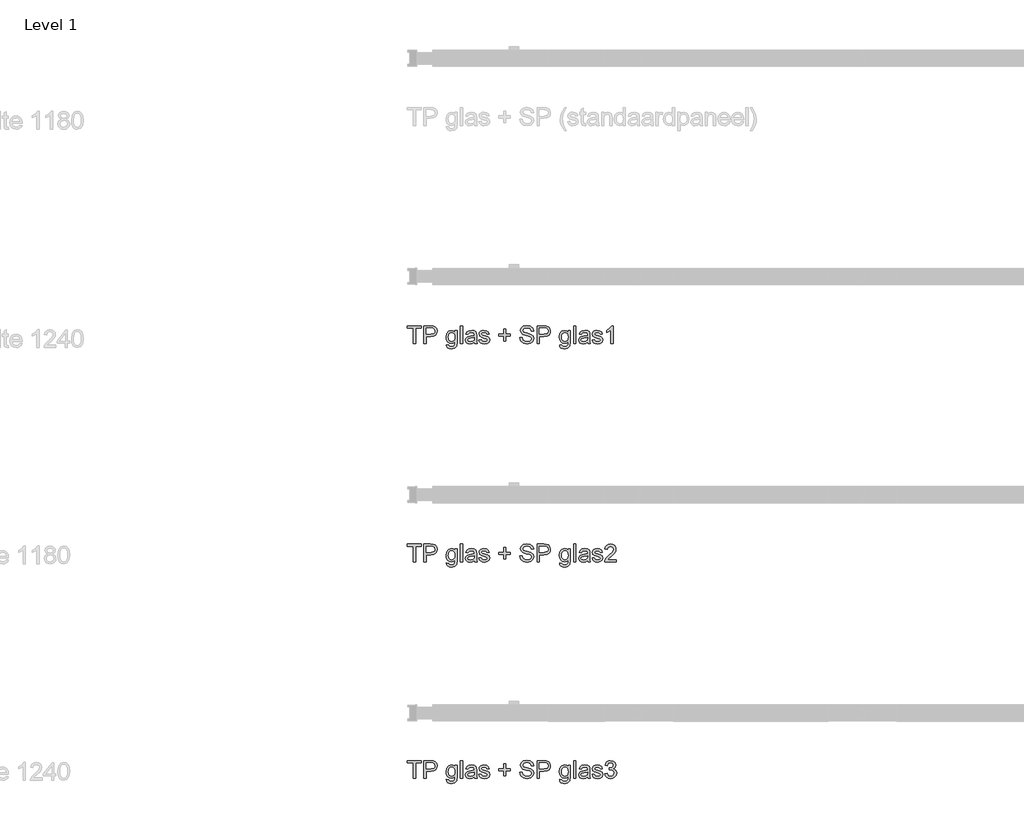
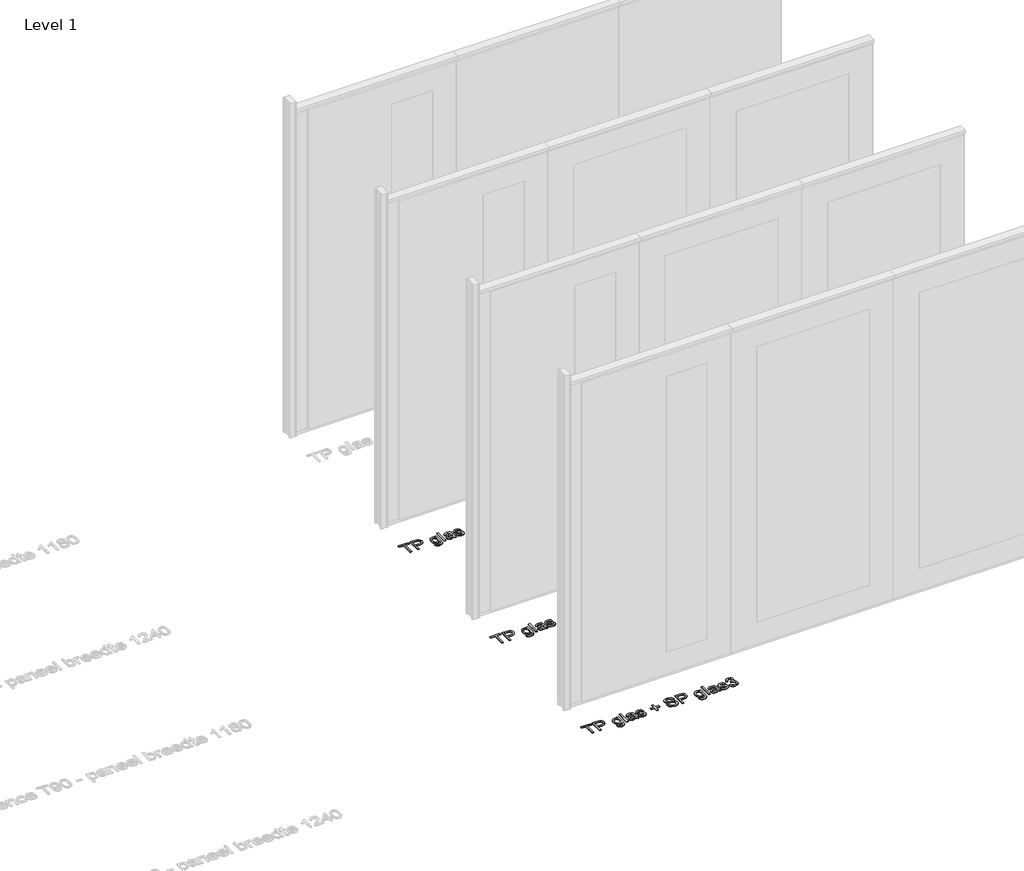
# One storey, part 7 of 17: 3 proxies.
"""IFC4 building model written with IfcOpenShell, lengths in millimetres."""

from ifc_helpers import new_model, si_unit, origin, origin_with_axes, place, context, project, spatial, polyline, outline, extrude, element, save

model = new_model("IFC4")

# Units and contexts
model_context = context("Model", 3, world=origin())
ifc_project = project(units=[si_unit("LENGTHUNIT", "METRE", prefix="MILLI")], contexts=[model_context])

# Site, building, storey
site = spatial("IfcSite", under=ifc_project)
building = spatial("IfcBuilding", under=site)
storey = spatial("IfcBuildingStorey", under=building, Name="Level 1", Elevation=0.0)

# Proxies
placement = place(None, origin())
element("IfcBuildingElementProxy", 1, Name="100 mm", ObjectType="100 mm", at=placement, inside=storey, context=model_context, shape_type="SweptSolid", body=[
    extrude(outline(polyline([(-12489.5064356, 1722.9418082), (-12489.5064356, 1809.0956544), (-12521.8141279, 1809.0956544), (-12521.8141279, 1821.4033467), (-12444.891051, 1821.4033467), (-12444.891051, 1809.0956544), (-12477.1987433, 1809.0956544), (-12477.1987433, 1722.9418082), (-12489.5064356, 1722.9418082)])), origin_with_axes(), (0.0, 0.0, 1.0), 5.0),
    extrude(outline(polyline([(-12431.0448971, 1722.9418082), (-12431.0448971, 1821.4033467), (-12394.5545125, 1821.4033467), (-12379.842974, 1820.4658467), (-12367.8838394, 1815.8624813), (-12360.1314356, 1806.3432505), (-12357.1987433, 1792.9177698), (-12359.1789115, 1781.3132025), (-12365.1194164, 1771.6437313), (-12376.2281904, 1765.117289), (-12393.7131664, 1762.9418082), (-12418.7372048, 1762.9418082), (-12418.7372048, 1722.9418082), (-12431.0448971, 1722.9418082)]), holes=[polyline([(-12418.7372048, 1775.2495005), (-12392.9920125, 1775.2495005), (-12374.8670125, 1779.7687313), (-12370.8465798, 1785.2074332), (-12369.5064356, 1792.4850775), (-12372.6674933, 1802.6773852), (-12380.9727817, 1808.2543082), (-12393.280474, 1809.0956544), (-12418.7372048, 1809.0956544), (-12418.7372048, 1775.2495005)])]), origin_with_axes(), (0.0, 0.0, 1.0), 5.0),
    extrude(outline(polyline([(-12306.4295125, 1716.7879621), (-12294.1218202, 1715.2495005), (-12290.1314356, 1708.7591159), (-12278.1843202, 1706.0187313), (-12265.5881664, 1709.1196929), (-12259.578551, 1717.8216159), (-12258.7372048, 1732.1725775), (-12267.4030702, 1725.2495005), (-12277.967974, 1722.9418082), (-12290.6572769, 1725.6281063), (-12300.1194164, 1733.6870005), (-12306.0058346, 1745.5019044), (-12307.967974, 1759.4562313), (-12304.4463394, 1778.5307505), (-12294.2540317, 1792.0283467), (-12278.5689356, 1796.7879621), (-12267.5893683, 1794.0956544), (-12258.7372048, 1786.0187313), (-12258.7372048, 1795.2495005), (-12246.4295125, 1795.2495005), (-12246.4295125, 1732.8216159), (-12249.7948971, 1708.9153659), (-12260.4559548, 1697.7975775), (-12278.4247048, 1693.711039), (-12289.8760269, 1695.1503419), (-12298.8934548, 1699.4682505), (-12304.6777096, 1706.6767842), (-12306.4295125, 1716.7879621)]), holes=[polyline([(-12295.6602817, 1760.2975775), (-12294.3471808, 1749.008515), (-12290.4078779, 1741.2470967), (-12284.4854019, 1736.7488996), (-12277.2227817, 1735.2495005), (-12270.0142481, 1736.7398852), (-12264.061724, 1741.211039), (-12260.0683346, 1748.8732986), (-12258.7372048, 1759.9370005), (-12260.1073971, 1770.6070727), (-12264.217974, 1778.2903659), (-12270.2576375, 1782.9327938), (-12277.4150894, 1784.4802698), (-12284.4433346, 1782.9568323), (-12290.3357625, 1778.3865198), (-12294.3291519, 1770.8174092), (-12295.6602817, 1760.2975775)])]), origin_with_axes(), (0.0, 0.0, 1.0), 5.0),
    extrude(outline(polyline([(-12227.967974, 1722.9418082), (-12227.967974, 1821.4033467), (-12215.6602817, 1821.4033467), (-12215.6602817, 1722.9418082), (-12227.967974, 1722.9418082)])), origin_with_axes(), (0.0, 0.0, 1.0), 5.0),
    extrude(outline(polyline([(-12151.0448971, 1732.1725775), (-12162.9799933, 1723.8312313), (-12176.1650894, 1721.4033467), (-12186.4505462, 1722.8636832), (-12194.0376856, 1727.2446929), (-12198.7161712, 1733.8973371), (-12200.2756664, 1742.1725775), (-12197.9198971, 1751.9081544), (-12191.7299933, 1758.9754621), (-12183.1122048, 1763.0139236), (-12172.4631664, 1764.8648852), (-12151.1170125, 1769.0956544), (-12151.0448971, 1771.836039), (-12154.4343202, 1780.9225775), (-12168.0400894, 1784.4802698), (-12180.4920125, 1782.1124813), (-12186.4295125, 1773.711039), (-12198.7372048, 1775.2495005), (-12193.4126856, 1787.2687313), (-12182.6915317, 1794.3120005), (-12166.453551, 1796.7879621), (-12151.5376856, 1794.6004621), (-12143.1122048, 1789.1076736), (-12139.3381664, 1780.7543082), (-12138.7372048, 1769.9850775), (-12138.7372048, 1754.6725775), (-12138.1122048, 1733.2903659), (-12135.6602817, 1722.9418082), (-12147.967974, 1722.9418082), (-12151.0448971, 1732.1725775)]), holes=[polyline([(-12151.0448971, 1756.7879621), (-12170.9006664, 1753.0139236), (-12181.4896087, 1751.0187313), (-12186.2852817, 1747.773539), (-12187.967974, 1743.0379621), (-12184.3021087, 1736.3793082), (-12173.5448971, 1733.711039), (-12161.092974, 1736.6557505), (-12153.0641279, 1743.7831544), (-12151.1170125, 1753.3023852), (-12151.0448971, 1756.7879621)])]), origin_with_axes(), (0.0, 0.0, 1.0), 5.0),
    extrude(outline(polyline([(-12126.4295125, 1744.4802698), (-12114.1218202, 1746.0187313), (-12108.4247048, 1736.8841159), (-12095.3718202, 1733.711039), (-12082.8237433, 1736.6196929), (-12078.7372048, 1743.4466159), (-12082.8477817, 1748.9754621), (-12095.516051, 1752.4850775), (-12114.0497048, 1758.5067121), (-12122.1386471, 1765.5379621), (-12124.891051, 1775.4658467), (-12122.6795125, 1784.6365198), (-12116.6458587, 1791.6437313), (-12108.8213394, 1795.2855582), (-12098.2323971, 1796.7879621), (-12083.2564356, 1794.3720967), (-12073.7372048, 1787.8336352), (-12069.5064356, 1776.7879621), (-12081.8141279, 1775.2495005), (-12086.4415317, 1782.0403659), (-12097.2708587, 1784.4802698), (-12109.0497048, 1782.148539), (-12112.5833587, 1776.7158467), (-12111.1170125, 1773.1341159), (-12106.5256664, 1770.4177698), (-12095.9247048, 1767.7975775), (-12077.859801, 1762.0043082), (-12069.4703779, 1755.4418082), (-12066.4295125, 1744.7446929), (-12069.999224, 1732.9658467), (-12080.2997048, 1724.4201736), (-12095.5400894, 1721.4033467), (-12107.9499452, 1722.8576736), (-12117.0064356, 1727.2206544), (-12123.0521087, 1734.4442121), (-12126.4295125, 1744.4802698)])), origin_with_axes(), (0.0, 0.0, 1.0), 5.0),
    extrude(outline(polyline([(-11989.5064356, 1738.3264236), (-11989.5064356, 1764.4802698), (-12015.6602817, 1764.4802698), (-12015.6602817, 1776.7879621), (-11989.5064356, 1776.7879621), (-11989.5064356, 1802.9418082), (-11977.1987433, 1802.9418082), (-11977.1987433, 1776.7879621), (-11951.0448971, 1776.7879621), (-11951.0448971, 1764.4802698), (-11977.1987433, 1764.4802698), (-11977.1987433, 1738.3264236), (-11989.5064356, 1738.3264236)])), origin_with_axes(), (0.0, 0.0, 1.0), 5.0),
    extrude(outline(polyline([(-11898.7372048, 1756.7879621), (-11886.4295125, 1756.7879621), (-11882.4631664, 1744.4682505), (-11872.7756664, 1736.679789), (-11858.016051, 1733.711039), (-11845.155474, 1735.9586352), (-11836.8501856, 1742.1365198), (-11834.1218202, 1750.3937313), (-11836.1650894, 1758.0740198), (-11844.530474, 1763.6629621), (-11862.4511471, 1768.3624813), (-11881.7420125, 1774.4321929), (-11892.2107625, 1783.5908467), (-11895.6602817, 1795.8264236), (-11891.3934548, 1809.7567121), (-11878.9295125, 1819.5884429), (-11860.6843202, 1822.9418082), (-11841.2131664, 1819.4321929), (-11828.2323971, 1809.1196929), (-11823.3525894, 1793.711039), (-11835.6602817, 1793.711039), (-11842.6314356, 1806.3552698), (-11860.203551, 1810.6341159), (-11877.8237433, 1806.4033467), (-11883.3525894, 1796.1870005), (-11879.4343202, 1787.6533467), (-11859.3381664, 1780.7783467), (-11837.5593202, 1774.6004621), (-11825.6482625, 1764.6245005), (-11821.8141279, 1750.7062313), (-11826.2251856, 1735.9826736), (-11838.9174933, 1725.2374813), (-11857.5352817, 1721.4033467), (-11879.5184548, 1725.5379621), (-11893.4247048, 1737.9898852), (-11898.7372048, 1756.7879621)])), origin_with_axes(), (0.0, 0.0, 1.0), 5.0),
    extrude(outline(polyline([(-11803.3525894, 1722.9418082), (-11803.3525894, 1821.4033467), (-11766.8622048, 1821.4033467), (-11752.1506664, 1820.4658467), (-11740.1915317, 1815.8624813), (-11732.4391279, 1806.3432505), (-11729.5064356, 1792.9177698), (-11731.4866039, 1781.3132025), (-11737.4271087, 1771.6437313), (-11748.5358827, 1765.117289), (-11766.0208587, 1762.9418082), (-11791.0448971, 1762.9418082), (-11791.0448971, 1722.9418082), (-11803.3525894, 1722.9418082)]), holes=[polyline([(-11791.0448971, 1775.2495005), (-11765.2997048, 1775.2495005), (-11747.1747048, 1779.7687313), (-11743.1542721, 1785.2074332), (-11741.8141279, 1792.4850775), (-11744.9751856, 1802.6773852), (-11753.280474, 1808.2543082), (-11765.5881664, 1809.0956544), (-11791.0448971, 1809.0956544), (-11791.0448971, 1775.2495005)])]), origin_with_axes(), (0.0, 0.0, 1.0), 5.0),
    extrude(outline(polyline([(-11678.7372048, 1716.7879621), (-11666.4295125, 1715.2495005), (-11662.4391279, 1708.7591159), (-11650.4920125, 1706.0187313), (-11637.8958587, 1709.1196929), (-11631.8862433, 1717.8216159), (-11631.0448971, 1732.1725775), (-11639.7107625, 1725.2495005), (-11650.2756664, 1722.9418082), (-11662.9649692, 1725.6281063), (-11672.4271087, 1733.6870005), (-11678.3135269, 1745.5019044), (-11680.2756664, 1759.4562313), (-11676.7540317, 1778.5307505), (-11666.561724, 1792.0283467), (-11650.8766279, 1796.7879621), (-11639.8970606, 1794.0956544), (-11631.0448971, 1786.0187313), (-11631.0448971, 1795.2495005), (-11618.7372048, 1795.2495005), (-11618.7372048, 1732.8216159), (-11622.1025894, 1708.9153659), (-11632.7636471, 1697.7975775), (-11650.7323971, 1693.711039), (-11662.1837192, 1695.1503419), (-11671.2011471, 1699.4682505), (-11676.9854019, 1706.6767842), (-11678.7372048, 1716.7879621)]), holes=[polyline([(-11667.967974, 1760.2975775), (-11666.6548731, 1749.008515), (-11662.7155702, 1741.2470967), (-11656.7930942, 1736.7488996), (-11649.530474, 1735.2495005), (-11642.3219404, 1736.7398852), (-11636.3694164, 1741.211039), (-11632.3760269, 1748.8732986), (-11631.0448971, 1759.9370005), (-11632.4150894, 1770.6070727), (-11636.5256664, 1778.2903659), (-11642.5653298, 1782.9327938), (-11649.7227817, 1784.4802698), (-11656.7510269, 1782.9568323), (-11662.6434548, 1778.3865198), (-11666.6368442, 1770.8174092), (-11667.967974, 1760.2975775)])]), origin_with_axes(), (0.0, 0.0, 1.0), 5.0),
    extrude(outline(polyline([(-11600.2756664, 1722.9418082), (-11600.2756664, 1821.4033467), (-11587.967974, 1821.4033467), (-11587.967974, 1722.9418082), (-11600.2756664, 1722.9418082)])), origin_with_axes(), (0.0, 0.0, 1.0), 5.0),
    extrude(outline(polyline([(-11523.3525894, 1732.1725775), (-11535.2876856, 1723.8312313), (-11548.4727817, 1721.4033467), (-11558.7582385, 1722.8636832), (-11566.3453779, 1727.2446929), (-11571.0238635, 1733.8973371), (-11572.5833587, 1742.1725775), (-11570.2275894, 1751.9081544), (-11564.0376856, 1758.9754621), (-11555.4198971, 1763.0139236), (-11544.7708587, 1764.8648852), (-11523.4247048, 1769.0956544), (-11523.3525894, 1771.836039), (-11526.7420125, 1780.9225775), (-11540.3477817, 1784.4802698), (-11552.7997048, 1782.1124813), (-11558.7372048, 1773.711039), (-11571.0448971, 1775.2495005), (-11565.7203779, 1787.2687313), (-11554.999224, 1794.3120005), (-11538.7612433, 1796.7879621), (-11523.8453779, 1794.6004621), (-11515.4198971, 1789.1076736), (-11511.6458587, 1780.7543082), (-11511.0448971, 1769.9850775), (-11511.0448971, 1754.6725775), (-11510.4198971, 1733.2903659), (-11507.967974, 1722.9418082), (-11520.2756664, 1722.9418082), (-11523.3525894, 1732.1725775)]), holes=[polyline([(-11523.3525894, 1756.7879621), (-11543.2083587, 1753.0139236), (-11553.797301, 1751.0187313), (-11558.592974, 1747.773539), (-11560.2756664, 1743.0379621), (-11556.609801, 1736.3793082), (-11545.8525894, 1733.711039), (-11533.4006664, 1736.6557505), (-11525.3718202, 1743.7831544), (-11523.4247048, 1753.3023852), (-11523.3525894, 1756.7879621)])]), origin_with_axes(), (0.0, 0.0, 1.0), 5.0),
    extrude(outline(polyline([(-11498.7372048, 1744.4802698), (-11486.4295125, 1746.0187313), (-11480.7323971, 1736.8841159), (-11467.6795125, 1733.711039), (-11455.1314356, 1736.6196929), (-11451.0448971, 1743.4466159), (-11455.155474, 1748.9754621), (-11467.8237433, 1752.4850775), (-11486.3573971, 1758.5067121), (-11494.4463394, 1765.5379621), (-11497.1987433, 1775.4658467), (-11494.9872048, 1784.6365198), (-11488.953551, 1791.6437313), (-11481.1290317, 1795.2855582), (-11470.5400894, 1796.7879621), (-11455.5641279, 1794.3720967), (-11446.0448971, 1787.8336352), (-11441.8141279, 1776.7879621), (-11454.1218202, 1775.2495005), (-11458.749224, 1782.0403659), (-11469.578551, 1784.4802698), (-11481.3573971, 1782.148539), (-11484.891051, 1776.7158467), (-11483.4247048, 1773.1341159), (-11478.8333587, 1770.4177698), (-11468.2323971, 1767.7975775), (-11450.1674933, 1762.0043082), (-11441.7780702, 1755.4418082), (-11438.7372048, 1744.7446929), (-11442.3069164, 1732.9658467), (-11452.6073971, 1724.4201736), (-11467.8477817, 1721.4033467), (-11480.2576375, 1722.8576736), (-11489.3141279, 1727.2206544), (-11495.359801, 1734.4442121), (-11498.7372048, 1744.4802698)])), origin_with_axes(), (0.0, 0.0, 1.0), 5.0),
    extrude(outline(polyline([(-11364.891051, 1735.2495005), (-11364.891051, 1722.9418082), (-11429.5064356, 1722.9418082), (-11428.1843202, 1731.4273852), (-11420.7083587, 1744.492289), (-11405.2997048, 1758.7591159), (-11384.0497048, 1779.2639236), (-11378.7372048, 1793.2062313), (-11383.749224, 1804.492289), (-11396.8381664, 1809.0956544), (-11410.4799933, 1804.6004621), (-11415.6602817, 1792.1725775), (-11427.967974, 1793.711039), (-11424.9842, 1805.6160871), (-11418.5328779, 1814.3120005), (-11408.9505462, 1819.6305102), (-11396.5737433, 1821.4033467), (-11384.1067962, 1819.4321929), (-11374.5424933, 1813.5187313), (-11368.4577577, 1804.6845967), (-11366.4295125, 1793.9514236), (-11368.6170125, 1782.2807505), (-11375.8886471, 1770.2134429), (-11393.5208587, 1753.3504621), (-11407.6795125, 1741.5115198), (-11413.2323971, 1735.2495005), (-11364.891051, 1735.2495005)])), origin_with_axes(), (0.0, 0.0, 1.0), 5.0),
])
element("IfcBuildingElementProxy", 2, Name="100 mm", ObjectType="100 mm", at=placement, inside=storey, context=model_context, shape_type="SweptSolid", body=[
    extrude(outline(polyline([(-12489.5064356, 522.9418082), (-12489.5064356, 609.0956544), (-12521.8141279, 609.0956544), (-12521.8141279, 621.4033467), (-12444.891051, 621.4033467), (-12444.891051, 609.0956544), (-12477.1987433, 609.0956544), (-12477.1987433, 522.9418082), (-12489.5064356, 522.9418082)])), origin_with_axes(), (0.0, 0.0, 1.0), 5.0),
    extrude(outline(polyline([(-12431.0448971, 522.9418082), (-12431.0448971, 621.4033467), (-12394.5545125, 621.4033467), (-12379.842974, 620.4658467), (-12367.8838394, 615.8624813), (-12360.1314356, 606.3432505), (-12357.1987433, 592.9177698), (-12359.1789115, 581.3132025), (-12365.1194164, 571.6437313), (-12376.2281904, 565.117289), (-12393.7131664, 562.9418082), (-12418.7372048, 562.9418082), (-12418.7372048, 522.9418082), (-12431.0448971, 522.9418082)]), holes=[polyline([(-12418.7372048, 575.2495005), (-12392.9920125, 575.2495005), (-12374.8670125, 579.7687313), (-12370.8465798, 585.2074332), (-12369.5064356, 592.4850775), (-12372.6674933, 602.6773852), (-12380.9727817, 608.2543082), (-12393.280474, 609.0956544), (-12418.7372048, 609.0956544), (-12418.7372048, 575.2495005)])]), origin_with_axes(), (0.0, 0.0, 1.0), 5.0),
    extrude(outline(polyline([(-12306.4295125, 516.7879621), (-12294.1218202, 515.2495005), (-12290.1314356, 508.7591159), (-12278.1843202, 506.0187313), (-12265.5881664, 509.1196929), (-12259.578551, 517.8216159), (-12258.7372048, 532.1725775), (-12267.4030702, 525.2495005), (-12277.967974, 522.9418082), (-12290.6572769, 525.6281063), (-12300.1194164, 533.6870005), (-12306.0058346, 545.5019044), (-12307.967974, 559.4562313), (-12304.4463394, 578.5307505), (-12294.2540317, 592.0283467), (-12278.5689356, 596.7879621), (-12267.5893683, 594.0956544), (-12258.7372048, 586.0187313), (-12258.7372048, 595.2495005), (-12246.4295125, 595.2495005), (-12246.4295125, 532.8216159), (-12249.7948971, 508.9153659), (-12260.4559548, 497.7975775), (-12278.4247048, 493.711039), (-12289.8760269, 495.1503419), (-12298.8934548, 499.4682505), (-12304.6777096, 506.6767842), (-12306.4295125, 516.7879621)]), holes=[polyline([(-12295.6602817, 560.2975775), (-12294.3471808, 549.008515), (-12290.4078779, 541.2470967), (-12284.4854019, 536.7488996), (-12277.2227817, 535.2495005), (-12270.0142481, 536.7398852), (-12264.061724, 541.211039), (-12260.0683346, 548.8732986), (-12258.7372048, 559.9370005), (-12260.1073971, 570.6070727), (-12264.217974, 578.2903659), (-12270.2576375, 582.9327938), (-12277.4150894, 584.4802698), (-12284.4433346, 582.9568323), (-12290.3357625, 578.3865198), (-12294.3291519, 570.8174092), (-12295.6602817, 560.2975775)])]), origin_with_axes(), (0.0, 0.0, 1.0), 5.0),
    extrude(outline(polyline([(-12227.967974, 522.9418082), (-12227.967974, 621.4033467), (-12215.6602817, 621.4033467), (-12215.6602817, 522.9418082), (-12227.967974, 522.9418082)])), origin_with_axes(), (0.0, 0.0, 1.0), 5.0),
    extrude(outline(polyline([(-12151.0448971, 532.1725775), (-12162.9799933, 523.8312313), (-12176.1650894, 521.4033467), (-12186.4505462, 522.8636832), (-12194.0376856, 527.2446929), (-12198.7161712, 533.8973371), (-12200.2756664, 542.1725775), (-12197.9198971, 551.9081544), (-12191.7299933, 558.9754621), (-12183.1122048, 563.0139236), (-12172.4631664, 564.8648852), (-12151.1170125, 569.0956544), (-12151.0448971, 571.836039), (-12154.4343202, 580.9225775), (-12168.0400894, 584.4802698), (-12180.4920125, 582.1124813), (-12186.4295125, 573.711039), (-12198.7372048, 575.2495005), (-12193.4126856, 587.2687313), (-12182.6915317, 594.3120005), (-12166.453551, 596.7879621), (-12151.5376856, 594.6004621), (-12143.1122048, 589.1076736), (-12139.3381664, 580.7543082), (-12138.7372048, 569.9850775), (-12138.7372048, 554.6725775), (-12138.1122048, 533.2903659), (-12135.6602817, 522.9418082), (-12147.967974, 522.9418082), (-12151.0448971, 532.1725775)]), holes=[polyline([(-12151.0448971, 556.7879621), (-12170.9006664, 553.0139236), (-12181.4896087, 551.0187313), (-12186.2852817, 547.773539), (-12187.967974, 543.0379621), (-12184.3021087, 536.3793082), (-12173.5448971, 533.711039), (-12161.092974, 536.6557505), (-12153.0641279, 543.7831544), (-12151.1170125, 553.3023852), (-12151.0448971, 556.7879621)])]), origin_with_axes(), (0.0, 0.0, 1.0), 5.0),
    extrude(outline(polyline([(-12126.4295125, 544.4802698), (-12114.1218202, 546.0187313), (-12108.4247048, 536.8841159), (-12095.3718202, 533.711039), (-12082.8237433, 536.6196929), (-12078.7372048, 543.4466159), (-12082.8477817, 548.9754621), (-12095.516051, 552.4850775), (-12114.0497048, 558.5067121), (-12122.1386471, 565.5379621), (-12124.891051, 575.4658467), (-12122.6795125, 584.6365198), (-12116.6458587, 591.6437313), (-12108.8213394, 595.2855582), (-12098.2323971, 596.7879621), (-12083.2564356, 594.3720967), (-12073.7372048, 587.8336352), (-12069.5064356, 576.7879621), (-12081.8141279, 575.2495005), (-12086.4415317, 582.0403659), (-12097.2708587, 584.4802698), (-12109.0497048, 582.148539), (-12112.5833587, 576.7158467), (-12111.1170125, 573.1341159), (-12106.5256664, 570.4177698), (-12095.9247048, 567.7975775), (-12077.859801, 562.0043082), (-12069.4703779, 555.4418082), (-12066.4295125, 544.7446929), (-12069.999224, 532.9658467), (-12080.2997048, 524.4201736), (-12095.5400894, 521.4033467), (-12107.9499452, 522.8576736), (-12117.0064356, 527.2206544), (-12123.0521087, 534.4442121), (-12126.4295125, 544.4802698)])), origin_with_axes(), (0.0, 0.0, 1.0), 5.0),
    extrude(outline(polyline([(-11989.5064356, 538.3264236), (-11989.5064356, 564.4802698), (-12015.6602817, 564.4802698), (-12015.6602817, 576.7879621), (-11989.5064356, 576.7879621), (-11989.5064356, 602.9418082), (-11977.1987433, 602.9418082), (-11977.1987433, 576.7879621), (-11951.0448971, 576.7879621), (-11951.0448971, 564.4802698), (-11977.1987433, 564.4802698), (-11977.1987433, 538.3264236), (-11989.5064356, 538.3264236)])), origin_with_axes(), (0.0, 0.0, 1.0), 5.0),
    extrude(outline(polyline([(-11898.7372048, 556.7879621), (-11886.4295125, 556.7879621), (-11882.4631664, 544.4682505), (-11872.7756664, 536.679789), (-11858.016051, 533.711039), (-11845.155474, 535.9586352), (-11836.8501856, 542.1365198), (-11834.1218202, 550.3937313), (-11836.1650894, 558.0740198), (-11844.530474, 563.6629621), (-11862.4511471, 568.3624813), (-11881.7420125, 574.4321929), (-11892.2107625, 583.5908467), (-11895.6602817, 595.8264236), (-11891.3934548, 609.7567121), (-11878.9295125, 619.5884429), (-11860.6843202, 622.9418082), (-11841.2131664, 619.4321929), (-11828.2323971, 609.1196929), (-11823.3525894, 593.711039), (-11835.6602817, 593.711039), (-11842.6314356, 606.3552698), (-11860.203551, 610.6341159), (-11877.8237433, 606.4033467), (-11883.3525894, 596.1870005), (-11879.4343202, 587.6533467), (-11859.3381664, 580.7783467), (-11837.5593202, 574.6004621), (-11825.6482625, 564.6245005), (-11821.8141279, 550.7062313), (-11826.2251856, 535.9826736), (-11838.9174933, 525.2374813), (-11857.5352817, 521.4033467), (-11879.5184548, 525.5379621), (-11893.4247048, 537.9898852), (-11898.7372048, 556.7879621)])), origin_with_axes(), (0.0, 0.0, 1.0), 5.0),
    extrude(outline(polyline([(-11803.3525894, 522.9418082), (-11803.3525894, 621.4033467), (-11766.8622048, 621.4033467), (-11752.1506664, 620.4658467), (-11740.1915317, 615.8624813), (-11732.4391279, 606.3432505), (-11729.5064356, 592.9177698), (-11731.4866039, 581.3132025), (-11737.4271087, 571.6437313), (-11748.5358827, 565.117289), (-11766.0208587, 562.9418082), (-11791.0448971, 562.9418082), (-11791.0448971, 522.9418082), (-11803.3525894, 522.9418082)]), holes=[polyline([(-11791.0448971, 575.2495005), (-11765.2997048, 575.2495005), (-11747.1747048, 579.7687313), (-11743.1542721, 585.2074332), (-11741.8141279, 592.4850775), (-11744.9751856, 602.6773852), (-11753.280474, 608.2543082), (-11765.5881664, 609.0956544), (-11791.0448971, 609.0956544), (-11791.0448971, 575.2495005)])]), origin_with_axes(), (0.0, 0.0, 1.0), 5.0),
    extrude(outline(polyline([(-11678.7372048, 516.7879621), (-11666.4295125, 515.2495005), (-11662.4391279, 508.7591159), (-11650.4920125, 506.0187313), (-11637.8958587, 509.1196929), (-11631.8862433, 517.8216159), (-11631.0448971, 532.1725775), (-11639.7107625, 525.2495005), (-11650.2756664, 522.9418082), (-11662.9649692, 525.6281063), (-11672.4271087, 533.6870005), (-11678.3135269, 545.5019044), (-11680.2756664, 559.4562313), (-11676.7540317, 578.5307505), (-11666.561724, 592.0283467), (-11650.8766279, 596.7879621), (-11639.8970606, 594.0956544), (-11631.0448971, 586.0187313), (-11631.0448971, 595.2495005), (-11618.7372048, 595.2495005), (-11618.7372048, 532.8216159), (-11622.1025894, 508.9153659), (-11632.7636471, 497.7975775), (-11650.7323971, 493.711039), (-11662.1837192, 495.1503419), (-11671.2011471, 499.4682505), (-11676.9854019, 506.6767842), (-11678.7372048, 516.7879621)]), holes=[polyline([(-11667.967974, 560.2975775), (-11666.6548731, 549.008515), (-11662.7155702, 541.2470967), (-11656.7930942, 536.7488996), (-11649.530474, 535.2495005), (-11642.3219404, 536.7398852), (-11636.3694164, 541.211039), (-11632.3760269, 548.8732986), (-11631.0448971, 559.9370005), (-11632.4150894, 570.6070727), (-11636.5256664, 578.2903659), (-11642.5653298, 582.9327938), (-11649.7227817, 584.4802698), (-11656.7510269, 582.9568323), (-11662.6434548, 578.3865198), (-11666.6368442, 570.8174092), (-11667.967974, 560.2975775)])]), origin_with_axes(), (0.0, 0.0, 1.0), 5.0),
    extrude(outline(polyline([(-11600.2756664, 522.9418082), (-11600.2756664, 621.4033467), (-11587.967974, 621.4033467), (-11587.967974, 522.9418082), (-11600.2756664, 522.9418082)])), origin_with_axes(), (0.0, 0.0, 1.0), 5.0),
    extrude(outline(polyline([(-11523.3525894, 532.1725775), (-11535.2876856, 523.8312313), (-11548.4727817, 521.4033467), (-11558.7582385, 522.8636832), (-11566.3453779, 527.2446929), (-11571.0238635, 533.8973371), (-11572.5833587, 542.1725775), (-11570.2275894, 551.9081544), (-11564.0376856, 558.9754621), (-11555.4198971, 563.0139236), (-11544.7708587, 564.8648852), (-11523.4247048, 569.0956544), (-11523.3525894, 571.836039), (-11526.7420125, 580.9225775), (-11540.3477817, 584.4802698), (-11552.7997048, 582.1124813), (-11558.7372048, 573.711039), (-11571.0448971, 575.2495005), (-11565.7203779, 587.2687313), (-11554.999224, 594.3120005), (-11538.7612433, 596.7879621), (-11523.8453779, 594.6004621), (-11515.4198971, 589.1076736), (-11511.6458587, 580.7543082), (-11511.0448971, 569.9850775), (-11511.0448971, 554.6725775), (-11510.4198971, 533.2903659), (-11507.967974, 522.9418082), (-11520.2756664, 522.9418082), (-11523.3525894, 532.1725775)]), holes=[polyline([(-11523.3525894, 556.7879621), (-11543.2083587, 553.0139236), (-11553.797301, 551.0187313), (-11558.592974, 547.773539), (-11560.2756664, 543.0379621), (-11556.609801, 536.3793082), (-11545.8525894, 533.711039), (-11533.4006664, 536.6557505), (-11525.3718202, 543.7831544), (-11523.4247048, 553.3023852), (-11523.3525894, 556.7879621)])]), origin_with_axes(), (0.0, 0.0, 1.0), 5.0),
    extrude(outline(polyline([(-11498.7372048, 544.4802698), (-11486.4295125, 546.0187313), (-11480.7323971, 536.8841159), (-11467.6795125, 533.711039), (-11455.1314356, 536.6196929), (-11451.0448971, 543.4466159), (-11455.155474, 548.9754621), (-11467.8237433, 552.4850775), (-11486.3573971, 558.5067121), (-11494.4463394, 565.5379621), (-11497.1987433, 575.4658467), (-11494.9872048, 584.6365198), (-11488.953551, 591.6437313), (-11481.1290317, 595.2855582), (-11470.5400894, 596.7879621), (-11455.5641279, 594.3720967), (-11446.0448971, 587.8336352), (-11441.8141279, 576.7879621), (-11454.1218202, 575.2495005), (-11458.749224, 582.0403659), (-11469.578551, 584.4802698), (-11481.3573971, 582.148539), (-11484.891051, 576.7158467), (-11483.4247048, 573.1341159), (-11478.8333587, 570.4177698), (-11468.2323971, 567.7975775), (-11450.1674933, 562.0043082), (-11441.7780702, 555.4418082), (-11438.7372048, 544.7446929), (-11442.3069164, 532.9658467), (-11452.6073971, 524.4201736), (-11467.8477817, 521.4033467), (-11480.2576375, 522.8576736), (-11489.3141279, 527.2206544), (-11495.359801, 534.4442121), (-11498.7372048, 544.4802698)])), origin_with_axes(), (0.0, 0.0, 1.0), 5.0),
    extrude(outline(polyline([(-11427.967974, 549.0956544), (-11415.6602817, 550.6341159), (-11408.8694164, 537.6773852), (-11396.1650894, 533.711039), (-11387.7275894, 535.0752217), (-11381.2131664, 539.1677698), (-11375.6602817, 552.6773852), (-11381.1650894, 565.4057505), (-11395.155474, 570.4418082), (-11403.7852817, 569.0956544), (-11402.4150894, 581.4033467), (-11400.4439356, 581.2591159), (-11386.4775894, 584.7927698), (-11381.8261471, 589.2759429), (-11380.2756664, 595.6581544), (-11384.7708587, 605.2855582), (-11396.3573971, 609.0956544), (-11408.0881664, 605.2495005), (-11414.1218202, 593.711039), (-11426.4295125, 595.2495005), (-11422.8057144, 606.3011832), (-11416.3573971, 614.5523852), (-11407.5352817, 619.6906063), (-11396.7900894, 621.4033467), (-11381.9463394, 618.0259429), (-11371.561724, 608.7951736), (-11367.967974, 596.3793082), (-11371.3814356, 585.0331544), (-11381.4775894, 576.8841159), (-11368.0641279, 568.4706544), (-11363.3525894, 552.461039), (-11365.7083587, 540.4658467), (-11372.7756664, 530.4418082), (-11383.4427337, 523.6629621), (-11396.5977817, 521.4033467), (-11408.4968202, 523.3324332), (-11418.1843202, 529.1196929), (-11424.921099, 537.9718563), (-11427.967974, 549.0956544)])), origin_with_axes(), (0.0, 0.0, 1.0), 5.0),
])
element("IfcBuildingElementProxy", 3, Name="100 mm", ObjectType="100 mm", at=placement, inside=storey, context=model_context, shape_type="SweptSolid", body=[
    extrude(outline(polyline([(-12489.5064356, 2932.9418082), (-12489.5064356, 3019.0956544), (-12521.8141279, 3019.0956544), (-12521.8141279, 3031.4033467), (-12444.891051, 3031.4033467), (-12444.891051, 3019.0956544), (-12477.1987433, 3019.0956544), (-12477.1987433, 2932.9418082), (-12489.5064356, 2932.9418082)])), origin_with_axes(), (0.0, 0.0, 1.0), 5.0),
    extrude(outline(polyline([(-12431.0448971, 2932.9418082), (-12431.0448971, 3031.4033467), (-12394.5545125, 3031.4033467), (-12379.842974, 3030.4658467), (-12367.8838394, 3025.8624813), (-12360.1314356, 3016.3432505), (-12357.1987433, 3002.9177698), (-12359.1789115, 2991.3132025), (-12365.1194164, 2981.6437313), (-12376.2281904, 2975.117289), (-12393.7131664, 2972.9418082), (-12418.7372048, 2972.9418082), (-12418.7372048, 2932.9418082), (-12431.0448971, 2932.9418082)]), holes=[polyline([(-12418.7372048, 2985.2495005), (-12392.9920125, 2985.2495005), (-12374.8670125, 2989.7687313), (-12370.8465798, 2995.2074332), (-12369.5064356, 3002.4850775), (-12372.6674933, 3012.6773852), (-12380.9727817, 3018.2543082), (-12393.280474, 3019.0956544), (-12418.7372048, 3019.0956544), (-12418.7372048, 2985.2495005)])]), origin_with_axes(), (0.0, 0.0, 1.0), 5.0),
    extrude(outline(polyline([(-12306.4295125, 2926.7879621), (-12294.1218202, 2925.2495005), (-12290.1314356, 2918.7591159), (-12278.1843202, 2916.0187313), (-12265.5881664, 2919.1196929), (-12259.578551, 2927.8216159), (-12258.7372048, 2942.1725775), (-12267.4030702, 2935.2495005), (-12277.967974, 2932.9418082), (-12290.6572769, 2935.6281063), (-12300.1194164, 2943.6870005), (-12306.0058346, 2955.5019044), (-12307.967974, 2969.4562313), (-12304.4463394, 2988.5307505), (-12294.2540317, 3002.0283467), (-12278.5689356, 3006.7879621), (-12267.5893683, 3004.0956544), (-12258.7372048, 2996.0187313), (-12258.7372048, 3005.2495005), (-12246.4295125, 3005.2495005), (-12246.4295125, 2942.8216159), (-12249.7948971, 2918.9153659), (-12260.4559548, 2907.7975775), (-12278.4247048, 2903.711039), (-12289.8760269, 2905.1503419), (-12298.8934548, 2909.4682505), (-12304.6777096, 2916.6767842), (-12306.4295125, 2926.7879621)]), holes=[polyline([(-12295.6602817, 2970.2975775), (-12294.3471808, 2959.008515), (-12290.4078779, 2951.2470967), (-12284.4854019, 2946.7488996), (-12277.2227817, 2945.2495005), (-12270.0142481, 2946.7398852), (-12264.061724, 2951.211039), (-12260.0683346, 2958.8732986), (-12258.7372048, 2969.9370005), (-12260.1073971, 2980.6070727), (-12264.217974, 2988.2903659), (-12270.2576375, 2992.9327938), (-12277.4150894, 2994.4802698), (-12284.4433346, 2992.9568323), (-12290.3357625, 2988.3865198), (-12294.3291519, 2980.8174092), (-12295.6602817, 2970.2975775)])]), origin_with_axes(), (0.0, 0.0, 1.0), 5.0),
    extrude(outline(polyline([(-12227.967974, 2932.9418082), (-12227.967974, 3031.4033467), (-12215.6602817, 3031.4033467), (-12215.6602817, 2932.9418082), (-12227.967974, 2932.9418082)])), origin_with_axes(), (0.0, 0.0, 1.0), 5.0),
    extrude(outline(polyline([(-12151.0448971, 2942.1725775), (-12162.9799933, 2933.8312313), (-12176.1650894, 2931.4033467), (-12186.4505462, 2932.8636832), (-12194.0376856, 2937.2446929), (-12198.7161712, 2943.8973371), (-12200.2756664, 2952.1725775), (-12197.9198971, 2961.9081544), (-12191.7299933, 2968.9754621), (-12183.1122048, 2973.0139236), (-12172.4631664, 2974.8648852), (-12151.1170125, 2979.0956544), (-12151.0448971, 2981.836039), (-12154.4343202, 2990.9225775), (-12168.0400894, 2994.4802698), (-12180.4920125, 2992.1124813), (-12186.4295125, 2983.711039), (-12198.7372048, 2985.2495005), (-12193.4126856, 2997.2687313), (-12182.6915317, 3004.3120005), (-12166.453551, 3006.7879621), (-12151.5376856, 3004.6004621), (-12143.1122048, 2999.1076736), (-12139.3381664, 2990.7543082), (-12138.7372048, 2979.9850775), (-12138.7372048, 2964.6725775), (-12138.1122048, 2943.2903659), (-12135.6602817, 2932.9418082), (-12147.967974, 2932.9418082), (-12151.0448971, 2942.1725775)]), holes=[polyline([(-12151.0448971, 2966.7879621), (-12170.9006664, 2963.0139236), (-12181.4896087, 2961.0187313), (-12186.2852817, 2957.773539), (-12187.967974, 2953.0379621), (-12184.3021087, 2946.3793082), (-12173.5448971, 2943.711039), (-12161.092974, 2946.6557505), (-12153.0641279, 2953.7831544), (-12151.1170125, 2963.3023852), (-12151.0448971, 2966.7879621)])]), origin_with_axes(), (0.0, 0.0, 1.0), 5.0),
    extrude(outline(polyline([(-12126.4295125, 2954.4802698), (-12114.1218202, 2956.0187313), (-12108.4247048, 2946.8841159), (-12095.3718202, 2943.711039), (-12082.8237433, 2946.6196929), (-12078.7372048, 2953.4466159), (-12082.8477817, 2958.9754621), (-12095.516051, 2962.4850775), (-12114.0497048, 2968.5067121), (-12122.1386471, 2975.5379621), (-12124.891051, 2985.4658467), (-12122.6795125, 2994.6365198), (-12116.6458587, 3001.6437313), (-12108.8213394, 3005.2855582), (-12098.2323971, 3006.7879621), (-12083.2564356, 3004.3720967), (-12073.7372048, 2997.8336352), (-12069.5064356, 2986.7879621), (-12081.8141279, 2985.2495005), (-12086.4415317, 2992.0403659), (-12097.2708587, 2994.4802698), (-12109.0497048, 2992.148539), (-12112.5833587, 2986.7158467), (-12111.1170125, 2983.1341159), (-12106.5256664, 2980.4177698), (-12095.9247048, 2977.7975775), (-12077.859801, 2972.0043082), (-12069.4703779, 2965.4418082), (-12066.4295125, 2954.7446929), (-12069.999224, 2942.9658467), (-12080.2997048, 2934.4201736), (-12095.5400894, 2931.4033467), (-12107.9499452, 2932.8576736), (-12117.0064356, 2937.2206544), (-12123.0521087, 2944.4442121), (-12126.4295125, 2954.4802698)])), origin_with_axes(), (0.0, 0.0, 1.0), 5.0),
    extrude(outline(polyline([(-11989.5064356, 2948.3264236), (-11989.5064356, 2974.4802698), (-12015.6602817, 2974.4802698), (-12015.6602817, 2986.7879621), (-11989.5064356, 2986.7879621), (-11989.5064356, 3012.9418082), (-11977.1987433, 3012.9418082), (-11977.1987433, 2986.7879621), (-11951.0448971, 2986.7879621), (-11951.0448971, 2974.4802698), (-11977.1987433, 2974.4802698), (-11977.1987433, 2948.3264236), (-11989.5064356, 2948.3264236)])), origin_with_axes(), (0.0, 0.0, 1.0), 5.0),
    extrude(outline(polyline([(-11898.7372048, 2966.7879621), (-11886.4295125, 2966.7879621), (-11882.4631664, 2954.4682505), (-11872.7756664, 2946.679789), (-11858.016051, 2943.711039), (-11845.155474, 2945.9586352), (-11836.8501856, 2952.1365198), (-11834.1218202, 2960.3937313), (-11836.1650894, 2968.0740198), (-11844.530474, 2973.6629621), (-11862.4511471, 2978.3624813), (-11881.7420125, 2984.4321929), (-11892.2107625, 2993.5908467), (-11895.6602817, 3005.8264236), (-11891.3934548, 3019.7567121), (-11878.9295125, 3029.5884429), (-11860.6843202, 3032.9418082), (-11841.2131664, 3029.4321929), (-11828.2323971, 3019.1196929), (-11823.3525894, 3003.711039), (-11835.6602817, 3003.711039), (-11842.6314356, 3016.3552698), (-11860.203551, 3020.6341159), (-11877.8237433, 3016.4033467), (-11883.3525894, 3006.1870005), (-11879.4343202, 2997.6533467), (-11859.3381664, 2990.7783467), (-11837.5593202, 2984.6004621), (-11825.6482625, 2974.6245005), (-11821.8141279, 2960.7062313), (-11826.2251856, 2945.9826736), (-11838.9174933, 2935.2374813), (-11857.5352817, 2931.4033467), (-11879.5184548, 2935.5379621), (-11893.4247048, 2947.9898852), (-11898.7372048, 2966.7879621)])), origin_with_axes(), (0.0, 0.0, 1.0), 5.0),
    extrude(outline(polyline([(-11803.3525894, 2932.9418082), (-11803.3525894, 3031.4033467), (-11766.8622048, 3031.4033467), (-11752.1506664, 3030.4658467), (-11740.1915317, 3025.8624813), (-11732.4391279, 3016.3432505), (-11729.5064356, 3002.9177698), (-11731.4866039, 2991.3132025), (-11737.4271087, 2981.6437313), (-11748.5358827, 2975.117289), (-11766.0208587, 2972.9418082), (-11791.0448971, 2972.9418082), (-11791.0448971, 2932.9418082), (-11803.3525894, 2932.9418082)]), holes=[polyline([(-11791.0448971, 2985.2495005), (-11765.2997048, 2985.2495005), (-11747.1747048, 2989.7687313), (-11743.1542721, 2995.2074332), (-11741.8141279, 3002.4850775), (-11744.9751856, 3012.6773852), (-11753.280474, 3018.2543082), (-11765.5881664, 3019.0956544), (-11791.0448971, 3019.0956544), (-11791.0448971, 2985.2495005)])]), origin_with_axes(), (0.0, 0.0, 1.0), 5.0),
    extrude(outline(polyline([(-11678.7372048, 2926.7879621), (-11666.4295125, 2925.2495005), (-11662.4391279, 2918.7591159), (-11650.4920125, 2916.0187313), (-11637.8958587, 2919.1196929), (-11631.8862433, 2927.8216159), (-11631.0448971, 2942.1725775), (-11639.7107625, 2935.2495005), (-11650.2756664, 2932.9418082), (-11662.9649692, 2935.6281063), (-11672.4271087, 2943.6870005), (-11678.3135269, 2955.5019044), (-11680.2756664, 2969.4562313), (-11676.7540317, 2988.5307505), (-11666.561724, 3002.0283467), (-11650.8766279, 3006.7879621), (-11639.8970606, 3004.0956544), (-11631.0448971, 2996.0187313), (-11631.0448971, 3005.2495005), (-11618.7372048, 3005.2495005), (-11618.7372048, 2942.8216159), (-11622.1025894, 2918.9153659), (-11632.7636471, 2907.7975775), (-11650.7323971, 2903.711039), (-11662.1837192, 2905.1503419), (-11671.2011471, 2909.4682505), (-11676.9854019, 2916.6767842), (-11678.7372048, 2926.7879621)]), holes=[polyline([(-11667.967974, 2970.2975775), (-11666.6548731, 2959.008515), (-11662.7155702, 2951.2470967), (-11656.7930942, 2946.7488996), (-11649.530474, 2945.2495005), (-11642.3219404, 2946.7398852), (-11636.3694164, 2951.211039), (-11632.3760269, 2958.8732986), (-11631.0448971, 2969.9370005), (-11632.4150894, 2980.6070727), (-11636.5256664, 2988.2903659), (-11642.5653298, 2992.9327938), (-11649.7227817, 2994.4802698), (-11656.7510269, 2992.9568323), (-11662.6434548, 2988.3865198), (-11666.6368442, 2980.8174092), (-11667.967974, 2970.2975775)])]), origin_with_axes(), (0.0, 0.0, 1.0), 5.0),
    extrude(outline(polyline([(-11600.2756664, 2932.9418082), (-11600.2756664, 3031.4033467), (-11587.967974, 3031.4033467), (-11587.967974, 2932.9418082), (-11600.2756664, 2932.9418082)])), origin_with_axes(), (0.0, 0.0, 1.0), 5.0),
    extrude(outline(polyline([(-11523.3525894, 2942.1725775), (-11535.2876856, 2933.8312313), (-11548.4727817, 2931.4033467), (-11558.7582385, 2932.8636832), (-11566.3453779, 2937.2446929), (-11571.0238635, 2943.8973371), (-11572.5833587, 2952.1725775), (-11570.2275894, 2961.9081544), (-11564.0376856, 2968.9754621), (-11555.4198971, 2973.0139236), (-11544.7708587, 2974.8648852), (-11523.4247048, 2979.0956544), (-11523.3525894, 2981.836039), (-11526.7420125, 2990.9225775), (-11540.3477817, 2994.4802698), (-11552.7997048, 2992.1124813), (-11558.7372048, 2983.711039), (-11571.0448971, 2985.2495005), (-11565.7203779, 2997.2687313), (-11554.999224, 3004.3120005), (-11538.7612433, 3006.7879621), (-11523.8453779, 3004.6004621), (-11515.4198971, 2999.1076736), (-11511.6458587, 2990.7543082), (-11511.0448971, 2979.9850775), (-11511.0448971, 2964.6725775), (-11510.4198971, 2943.2903659), (-11507.967974, 2932.9418082), (-11520.2756664, 2932.9418082), (-11523.3525894, 2942.1725775)]), holes=[polyline([(-11523.3525894, 2966.7879621), (-11543.2083587, 2963.0139236), (-11553.797301, 2961.0187313), (-11558.592974, 2957.773539), (-11560.2756664, 2953.0379621), (-11556.609801, 2946.3793082), (-11545.8525894, 2943.711039), (-11533.4006664, 2946.6557505), (-11525.3718202, 2953.7831544), (-11523.4247048, 2963.3023852), (-11523.3525894, 2966.7879621)])]), origin_with_axes(), (0.0, 0.0, 1.0), 5.0),
    extrude(outline(polyline([(-11498.7372048, 2954.4802698), (-11486.4295125, 2956.0187313), (-11480.7323971, 2946.8841159), (-11467.6795125, 2943.711039), (-11455.1314356, 2946.6196929), (-11451.0448971, 2953.4466159), (-11455.155474, 2958.9754621), (-11467.8237433, 2962.4850775), (-11486.3573971, 2968.5067121), (-11494.4463394, 2975.5379621), (-11497.1987433, 2985.4658467), (-11494.9872048, 2994.6365198), (-11488.953551, 3001.6437313), (-11481.1290317, 3005.2855582), (-11470.5400894, 3006.7879621), (-11455.5641279, 3004.3720967), (-11446.0448971, 2997.8336352), (-11441.8141279, 2986.7879621), (-11454.1218202, 2985.2495005), (-11458.749224, 2992.0403659), (-11469.578551, 2994.4802698), (-11481.3573971, 2992.148539), (-11484.891051, 2986.7158467), (-11483.4247048, 2983.1341159), (-11478.8333587, 2980.4177698), (-11468.2323971, 2977.7975775), (-11450.1674933, 2972.0043082), (-11441.7780702, 2965.4418082), (-11438.7372048, 2954.7446929), (-11442.3069164, 2942.9658467), (-11452.6073971, 2934.4201736), (-11467.8477817, 2931.4033467), (-11480.2576375, 2932.8576736), (-11489.3141279, 2937.2206544), (-11495.359801, 2944.4442121), (-11498.7372048, 2954.4802698)])), origin_with_axes(), (0.0, 0.0, 1.0), 5.0),
    extrude(outline(polyline([(-11381.8141279, 2932.9418082), (-11394.1218202, 2932.9418082), (-11394.1218202, 3009.6725775), (-11405.780474, 3001.367289), (-11418.7372048, 2995.1533467), (-11418.7372048, 3006.7879621), (-11400.6963394, 3018.3023852), (-11389.7468202, 3031.4033467), (-11381.8141279, 3031.4033467), (-11381.8141279, 2932.9418082)])), origin_with_axes(), (0.0, 0.0, 1.0), 5.0),
])

save(model, "model.ifc")
